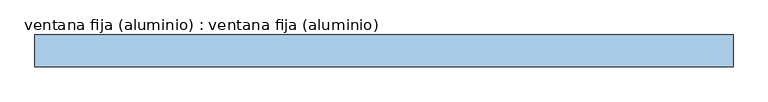
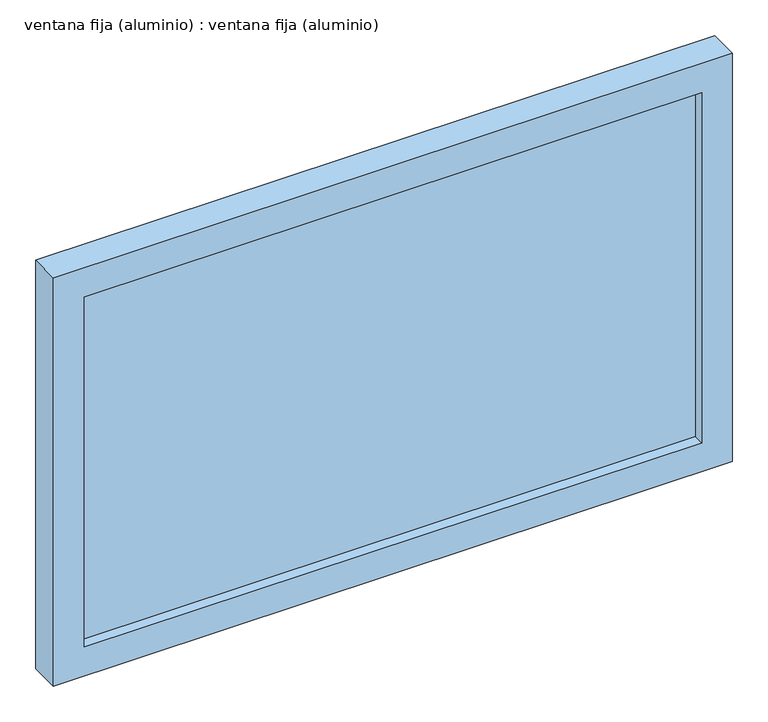
"""IFC4 building model written with IfcOpenShell, lengths in millimetres: window geometry, ventana fija (aluminio) : ventana fija (aluminio)."""

from ifc_helpers import new_model, si_unit, frame, origin, place, context, project, spatial, polyline, outline, extrude, source, transform, mapped, element, save


def ventana_fija_aluminio_ventana_fija_aluminio_d5d9e51d(model_context):
    return source(origin(), model_context, "Body", "SweptSolid", [
        extrude(outline(polyline([(500.0, -116.5), (500.0, -131.5), (-500.0, -131.5), (-500.0, -116.5), (500.0, -116.5)])), frame((0.0, 0.0, 850.0), z_axis=(0.0, 0.0, 1.0), x_axis=(1.0, 0.0, 0.0)), (0.0, 0.0, 1.0), 600.0),
        extrude(outline(polyline([(1500.0, -550.0), (800.0, -550.0), (800.0, 550.0), (1500.0, 550.0), (1500.0, -550.0)]), holes=[polyline([(1450.0, -500.0), (1450.0, 500.0), (850.0, 500.0), (850.0, -500.0), (1450.0, -500.0)])]), frame((0.0, -149.0, 0.0), z_axis=(0.0, 1.0, 0.0), x_axis=(0.0, 0.0, 1.0)), (0.0, 0.0, 1.0), 50.0),
    ])


if __name__ == "__main__":
    model = new_model("IFC4")
    model_context = context("Model", 3, world=origin())
    ifc_project = project(units=[si_unit("LENGTHUNIT", "METRE", prefix="MILLI")], contexts=[model_context])
    site = spatial("IfcSite", under=ifc_project)
    building = spatial("IfcBuilding", under=site)
    placement = place(None, origin())
    ventana_fija_aluminio_ventana_fija_aluminio_shape = ventana_fija_aluminio_ventana_fija_aluminio_d5d9e51d(model_context)
    element("IfcWindow", 1, ObjectType="ventana fija (aluminio) : ventana fija (aluminio)", at=placement, inside=building, context=model_context, shape_type="MappedRepresentation", body=[
        mapped(ventana_fija_aluminio_ventana_fija_aluminio_shape, transform((0.0, 0.0, 0.0), x_axis=(1.0, 0.0, 0.0), y_axis=(0.0, 1.0, 0.0), z_axis=(0.0, 0.0, 1.0))),
    ])
    save(model, "model.ifc")
